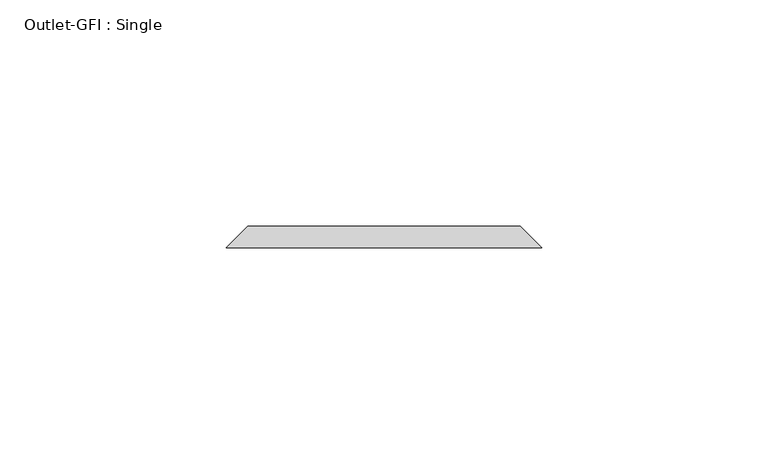
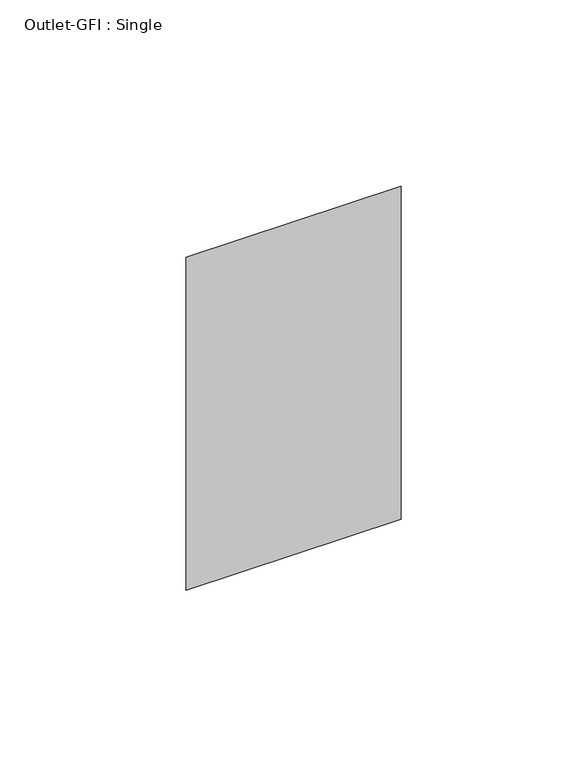
"""IFC4 building model written with IfcOpenShell, lengths in millimetres: proxy geometry, Outlet-GFI : Single."""

from ifc_helpers import new_model, si_unit, origin, place, context, project, spatial, faceted_brep, source, transform, mapped, element, save


def outlet_gfi_single_ffbe5dd5(model_context):
    return source(origin(), model_context, "Body", "Brep", [
        faceted_brep([(-30.1625, 90.4875, 1271.5875), (30.1625, 90.4875, 1271.5875), (30.1625, 90.4875, 1166.8125), (-30.1625, 90.4875, 1166.8125), (-34.925, 85.725, 1276.35), (-34.925, 85.725, 1162.05), (34.925, 85.725, 1162.05), (34.925, 85.725, 1276.35)], [[[0, 1, 2, 3]], [[4, 5, 6, 7]], [[4, 7, 1, 0]], [[7, 6, 2, 1]], [[6, 5, 3, 2]], [[5, 4, 0, 3]]]),
    ])


if __name__ == "__main__":
    model = new_model("IFC4")
    model_context = context("Model", 3, world=origin())
    ifc_project = project(units=[si_unit("LENGTHUNIT", "METRE", prefix="MILLI")], contexts=[model_context])
    site = spatial("IfcSite", under=ifc_project)
    building = spatial("IfcBuilding", under=site)
    placement = place(None, origin())
    outlet_gfi_single_shape = outlet_gfi_single_ffbe5dd5(model_context)
    element("IfcBuildingElementProxy", 1, Name="Outlet-GFI : Single", ObjectType="Outlet-GFI : Single", at=placement, inside=building, context=model_context, shape_type="MappedRepresentation", body=[
        mapped(outlet_gfi_single_shape, transform((0.0, 0.0, 0.0), x_axis=(1.0, 0.0, 0.0), y_axis=(0.0, 1.0, 0.0), z_axis=(0.0, 0.0, 1.0))),
    ])
    save(model, "model.ifc")
